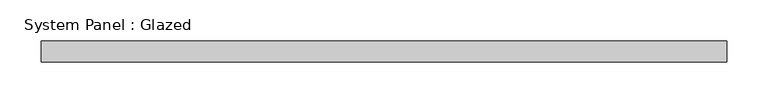
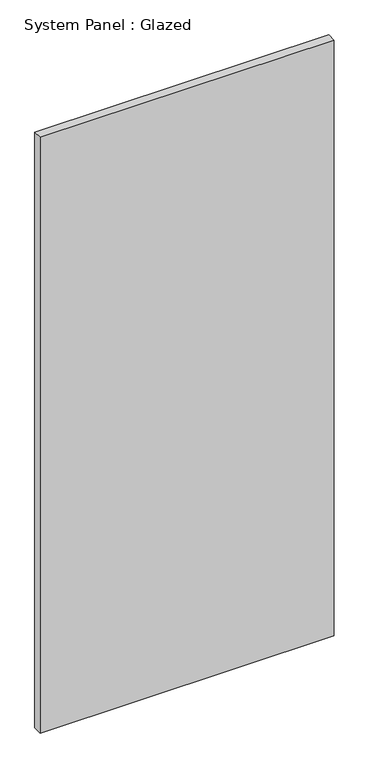
"""IFC4 building model written with IfcOpenShell, lengths in millimetres: plate geometry, System Panel : Glazed."""

import ifcopenshell
import ifcopenshell.guid

model = None  # the IFC model being written
_history = None  # IfcOwnerHistory: only IFC2X3 demands one
_inside = {}  # id of a spatial element -> (the spatial element, [elements in it])
_under = {}  # id of a project, library or spatial element -> (it, [spatial elements below it])
_declared = {}  # id of a project -> (the project, [libraries it declares])
_typed = {}  # id of a type object -> (the type object, [elements of that type])
_made_of = {}  # id of a material, layer set ... -> (it, [elements and type objects made of it])


def new_model(schema):
    """Start an empty IFC model of exactly this schema.

    Asked for "IFC4X3", IfcOpenShell would pick the latest addendum, in which some entities
    have other attributes; the version numbers below select the first issue.
    IFC2X3 requires an IfcOwnerHistory on every rooted entity: one is made here for all.
    """
    global model, _history
    if schema == "IFC4X3":
        model = ifcopenshell.file(schema_version=(4, 3, 0, 0))
    else:
        model = ifcopenshell.file(schema=schema)
    _inside.clear()
    _under.clear()
    _declared.clear()
    _typed.clear()
    _made_of.clear()
    _history = None
    if model.schema == "IFC2X3":
        org = make("IfcOrganization", Name="unknown")
        user = make(
            "IfcPersonAndOrganization",
            ThePerson=make("IfcPerson", FamilyName="unknown"),
            TheOrganization=org,
        )
        app = make(
            "IfcApplication",
            ApplicationDeveloper=org,
            Version="unknown",
            ApplicationFullName="unknown",
            ApplicationIdentifier="unknown",
        )
        _history = make(
            "IfcOwnerHistory",
            OwningUser=user,
            OwningApplication=app,
            ChangeAction="ADDED",
            CreationDate=0,
        )
    return model


def make(cls, **values):
    """One entity of the class cls with the attributes given. An attribute that is None is left unset."""
    return model.create_entity(
        cls, **{name: value for name, value in values.items() if value is not None}
    )


def rooted(cls, **values):
    """An entity with a GlobalId (a new one), such as an element, a storey or a relation."""
    return make(cls, GlobalId=ifcopenshell.guid.new(), OwnerHistory=_history, **values)


def si_unit(unit_type, name, prefix=None):
    """IfcSIUnit, for example si_unit("LENGTHUNIT", "METRE", prefix="MILLI")."""
    return make("IfcSIUnit", UnitType=unit_type, Prefix=prefix, Name=name)


def assignment(units):
    """IfcUnitAssignment: the units of a project."""
    return None if units is None else make("IfcUnitAssignment", Units=units)


def point(xyz):
    """IfcCartesianPoint."""
    return None if xyz is None else make("IfcCartesianPoint", Coordinates=xyz)


def direction(xyz):
    """IfcDirection."""
    return None if xyz is None else make("IfcDirection", DirectionRatios=xyz)


def frame(location, z_axis=None, x_axis=None):
    """IfcAxis2Placement3D, a coordinate frame: its origin and axes. An axis left out is left unset."""
    return make(
        "IfcAxis2Placement3D",
        Location=point(location),
        Axis=direction(z_axis),
        RefDirection=direction(x_axis),
    )


def origin():
    """The frame at (0, 0, 0) with its axes left unset."""
    return frame((0.0, 0.0, 0.0))


def origin_with_axes():
    """The frame at (0, 0, 0) with the z axis (0, 0, 1) and the x axis (1, 0, 0) written out."""
    return frame((0.0, 0.0, 0.0), z_axis=(0.0, 0.0, 1.0), x_axis=(1.0, 0.0, 0.0))


def place(relative_to, where):
    """IfcLocalPlacement: puts the frame where relative to a parent placement (None: the world)."""
    return make(
        "IfcLocalPlacement", PlacementRelTo=relative_to, RelativePlacement=where
    )


def context(
    kind, dimensions, precision=None, world=None, true_north=None, identifier=None
):
    """IfcGeometricRepresentationContext, for example the 3D "Model" context."""
    return make(
        "IfcGeometricRepresentationContext",
        ContextIdentifier=identifier,
        ContextType=kind,
        CoordinateSpaceDimension=dimensions,
        Precision=precision,
        WorldCoordinateSystem=world,
        TrueNorth=true_north,
    )


def project(units=None, contexts=None):
    """IfcProject with its units and contexts."""
    return rooted(
        "IfcProject",
        Name="project",
        RepresentationContexts=contexts,
        UnitsInContext=assignment(units),
    )


def spatial(cls, under=None, at=None, **own):
    """A site, building, storey or space (cls), placed at a placement, below another one or the project."""
    s = rooted(cls, ObjectPlacement=at, **own)
    if under is not None:
        _under.setdefault(under.id(), (under, []))[1].append(s)
    return s


def polyline(points):
    """IfcPolyline through the points."""
    return make("IfcPolyline", Points=[point(p) for p in points])


def outline(outer, holes=None, kind="AREA"):
    """IfcArbitraryClosedProfileDef: a profile drawn as a closed curve; with holes, ...WithVoids."""
    if holes is None:
        return make("IfcArbitraryClosedProfileDef", ProfileType=kind, OuterCurve=outer)
    return make(
        "IfcArbitraryProfileDefWithVoids",
        ProfileType=kind,
        OuterCurve=outer,
        InnerCurves=holes,
    )


def extrude(swept, where, along, depth):
    """IfcExtrudedAreaSolid: the profile swept, set in the frame where, extruded along a direction by depth."""
    return make(
        "IfcExtrudedAreaSolid",
        SweptArea=swept,
        Position=where,
        ExtrudedDirection=direction(along),
        Depth=depth,
    )


def shape(context_of_items, identifier, shape_type, items):
    """IfcShapeRepresentation: the items that make up one representation, for example the "Body"."""
    return make(
        "IfcShapeRepresentation",
        ContextOfItems=context_of_items,
        RepresentationIdentifier=identifier,
        RepresentationType=shape_type,
        Items=items,
    )


def source(mapping_origin, context_of_items, identifier, shape_type, items):
    """IfcRepresentationMap: a shape defined once, which mapped items show again and again."""
    return make(
        "IfcRepresentationMap",
        MappingOrigin=mapping_origin,
        MappedRepresentation=shape(context_of_items, identifier, shape_type, items),
    )


def transform(
    local_origin,
    x_axis=None,
    y_axis=None,
    z_axis=None,
    scale=None,
    scale2=None,
    scale3=None,
    uniform=True,
):
    """IfcCartesianTransformationOperator3D, or its non-uniform kind. x_axis, y_axis, z_axis: its Axis1, 2, 3."""
    if uniform:
        return make(
            "IfcCartesianTransformationOperator3D",
            Axis1=direction(x_axis),
            Axis2=direction(y_axis),
            LocalOrigin=point(local_origin),
            Scale=scale,
            Axis3=direction(z_axis),
        )
    return make(
        "IfcCartesianTransformationOperator3DnonUniform",
        Axis1=direction(x_axis),
        Axis2=direction(y_axis),
        LocalOrigin=point(local_origin),
        Scale=scale,
        Axis3=direction(z_axis),
        Scale2=scale2,
        Scale3=scale3,
    )


def mapped(mapping_source, mapping_target):
    """IfcMappedItem: shows the shape of a source again, moved by a transform."""
    return make(
        "IfcMappedItem", MappingSource=mapping_source, MappingTarget=mapping_target
    )


def made_of(thing, what):
    """Note that an element or type object is made of a material, layer set ...; save() writes the relation."""
    if what is not None:
        _made_of.setdefault(what.id(), (what, []))[1].append(thing)
    return thing


def element(
    cls,
    number,
    at=None,
    inside=None,
    cuts=None,
    type_object=None,
    material=None,
    context=None,
    identifier="Body",
    shape_type=None,
    held_by="IfcProductDefinitionShape",
    body=None,
    shapes=None,
    **own,
):
    """One element of the class cls, such as IfcWall. Its Tag is "e" and its number.

    at: its placement. inside: the storey or other place that contains it. cuts: it is an
    opening in that element (IfcRelVoidsElement). A single representation is given by context,
    identifier, shape_type and body (its items); several are given by shapes. held_by: the class
    of the entity that holds the representations. save() writes the other relations.
    """
    e = rooted(cls, Tag="e%d" % number, ObjectPlacement=at, **own)
    if body is not None:
        shapes = [shape(context, identifier, shape_type, body)]
    if shapes is not None:
        e.Representation = make(held_by, Representations=shapes)
    if inside is not None:
        _inside.setdefault(inside.id(), (inside, []))[1].append(e)
    if cuts is not None:
        rooted(
            "IfcRelVoidsElement", RelatingBuildingElement=cuts, RelatedOpeningElement=e
        )
    if type_object is not None:
        _typed.setdefault(type_object.id(), (type_object, []))[1].append(e)
    return made_of(e, material)


def aggregate(whole, parts):
    """IfcRelAggregates: a whole, such as a stair, and the parts it consists of."""
    return rooted("IfcRelAggregates", RelatingObject=whole, RelatedObjects=parts)


def save(model, path):
    """Write the relations noted so far, then the file.

    IfcRelAggregates (storeys below a building ...), IfcRelContainedInSpatialStructure (elements
    in a storey), IfcRelDefinesByType, IfcRelAssociatesMaterial and IfcRelDeclares: one each for
    every whole, place, type object, material and project.
    """
    for whole, parts in _under.values():
        aggregate(whole, parts)
    for where, things in _inside.values():
        rooted(
            "IfcRelContainedInSpatialStructure",
            RelatedElements=things,
            RelatingStructure=where,
        )
    for kind, things in _typed.values():
        rooted("IfcRelDefinesByType", RelatedObjects=things, RelatingType=kind)
    for what, things in _made_of.values():
        rooted("IfcRelAssociatesMaterial", RelatedObjects=things, RelatingMaterial=what)
    for by, libraries in _declared.values():
        rooted("IfcRelDeclares", RelatingContext=by, RelatedDefinitions=libraries)
    model.write(path)


def system_panel_glazed_fc70c0fc(model_context):
    return source(origin(), model_context, "Body", "SweptSolid", [
        extrude(outline(polyline([(413.8083333, 19.05), (-413.8083333, 19.05), (-413.8083333, 44.45), (413.8083333, 44.45), (413.8083333, 19.05)])), origin_with_axes(), (0.0, 0.0, 1.0), 1771.65),
    ])


if __name__ == "__main__":
    model = new_model("IFC4")
    model_context = context("Model", 3, world=origin())
    ifc_project = project(units=[si_unit("LENGTHUNIT", "METRE", prefix="MILLI")], contexts=[model_context])
    site = spatial("IfcSite", under=ifc_project)
    building = spatial("IfcBuilding", under=site)
    placement = place(None, origin())
    system_panel_glazed_shape = system_panel_glazed_fc70c0fc(model_context)
    element("IfcPlate", 1, ObjectType="System Panel : Glazed", at=placement, inside=building, context=model_context, shape_type="MappedRepresentation", body=[
        mapped(system_panel_glazed_shape, transform((0.0, 0.0, 0.0), x_axis=(1.0, 0.0, 0.0), y_axis=(0.0, 1.0, 0.0), z_axis=(0.0, 0.0, 1.0))),
    ])
    save(model, "model.ifc")
